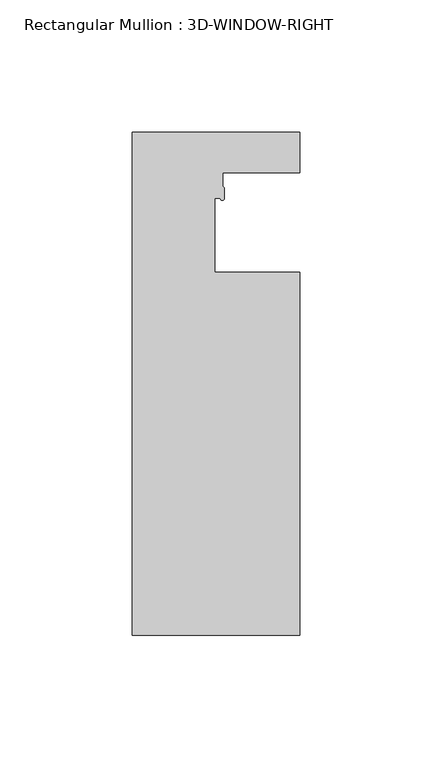
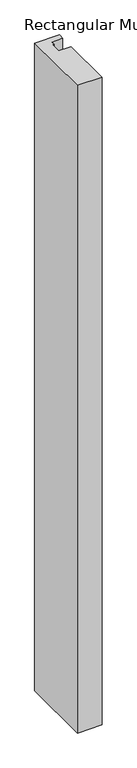
"""IFC4 building model written with IfcOpenShell, lengths in millimetres: member geometry, Rectangular Mullion : 3D-WINDOW-RIGHT."""

import ifcopenshell
import ifcopenshell.guid

model = None  # the IFC model being written
_history = None  # IfcOwnerHistory: only IFC2X3 demands one
_inside = {}  # id of a spatial element -> (the spatial element, [elements in it])
_under = {}  # id of a project, library or spatial element -> (it, [spatial elements below it])
_declared = {}  # id of a project -> (the project, [libraries it declares])
_typed = {}  # id of a type object -> (the type object, [elements of that type])
_made_of = {}  # id of a material, layer set ... -> (it, [elements and type objects made of it])


def new_model(schema):
    """Start an empty IFC model of exactly this schema.

    Asked for "IFC4X3", IfcOpenShell would pick the latest addendum, in which some entities
    have other attributes; the version numbers below select the first issue.
    IFC2X3 requires an IfcOwnerHistory on every rooted entity: one is made here for all.
    """
    global model, _history
    if schema == "IFC4X3":
        model = ifcopenshell.file(schema_version=(4, 3, 0, 0))
    else:
        model = ifcopenshell.file(schema=schema)
    _inside.clear()
    _under.clear()
    _declared.clear()
    _typed.clear()
    _made_of.clear()
    _history = None
    if model.schema == "IFC2X3":
        org = make("IfcOrganization", Name="unknown")
        user = make(
            "IfcPersonAndOrganization",
            ThePerson=make("IfcPerson", FamilyName="unknown"),
            TheOrganization=org,
        )
        app = make(
            "IfcApplication",
            ApplicationDeveloper=org,
            Version="unknown",
            ApplicationFullName="unknown",
            ApplicationIdentifier="unknown",
        )
        _history = make(
            "IfcOwnerHistory",
            OwningUser=user,
            OwningApplication=app,
            ChangeAction="ADDED",
            CreationDate=0,
        )
    return model


def make(cls, **values):
    """One entity of the class cls with the attributes given. An attribute that is None is left unset."""
    return model.create_entity(
        cls, **{name: value for name, value in values.items() if value is not None}
    )


def rooted(cls, **values):
    """An entity with a GlobalId (a new one), such as an element, a storey or a relation."""
    return make(cls, GlobalId=ifcopenshell.guid.new(), OwnerHistory=_history, **values)


def si_unit(unit_type, name, prefix=None):
    """IfcSIUnit, for example si_unit("LENGTHUNIT", "METRE", prefix="MILLI")."""
    return make("IfcSIUnit", UnitType=unit_type, Prefix=prefix, Name=name)


def assignment(units):
    """IfcUnitAssignment: the units of a project."""
    return None if units is None else make("IfcUnitAssignment", Units=units)


def point(xyz):
    """IfcCartesianPoint."""
    return None if xyz is None else make("IfcCartesianPoint", Coordinates=xyz)


def direction(xyz):
    """IfcDirection."""
    return None if xyz is None else make("IfcDirection", DirectionRatios=xyz)


def frame(location, z_axis=None, x_axis=None):
    """IfcAxis2Placement3D, a coordinate frame: its origin and axes. An axis left out is left unset."""
    return make(
        "IfcAxis2Placement3D",
        Location=point(location),
        Axis=direction(z_axis),
        RefDirection=direction(x_axis),
    )


def frame_2d(location, x_axis=None):
    """IfcAxis2Placement2D, a coordinate frame in the plane: its origin and x axis."""
    return make(
        "IfcAxis2Placement2D", Location=point(location), RefDirection=direction(x_axis)
    )


def origin():
    """The frame at (0, 0, 0) with its axes left unset."""
    return frame((0.0, 0.0, 0.0))


def place(relative_to, where):
    """IfcLocalPlacement: puts the frame where relative to a parent placement (None: the world)."""
    return make(
        "IfcLocalPlacement", PlacementRelTo=relative_to, RelativePlacement=where
    )


def context(
    kind, dimensions, precision=None, world=None, true_north=None, identifier=None
):
    """IfcGeometricRepresentationContext, for example the 3D "Model" context."""
    return make(
        "IfcGeometricRepresentationContext",
        ContextIdentifier=identifier,
        ContextType=kind,
        CoordinateSpaceDimension=dimensions,
        Precision=precision,
        WorldCoordinateSystem=world,
        TrueNorth=true_north,
    )


def project(units=None, contexts=None):
    """IfcProject with its units and contexts."""
    return rooted(
        "IfcProject",
        Name="project",
        RepresentationContexts=contexts,
        UnitsInContext=assignment(units),
    )


def spatial(cls, under=None, at=None, **own):
    """A site, building, storey or space (cls), placed at a placement, below another one or the project."""
    s = rooted(cls, ObjectPlacement=at, **own)
    if under is not None:
        _under.setdefault(under.id(), (under, []))[1].append(s)
    return s


def polyline(points):
    """IfcPolyline through the points."""
    return make("IfcPolyline", Points=[point(p) for p in points])


def circle_curve(where, radius):
    """IfcCircle in the frame where."""
    return make("IfcCircle", Position=where, Radius=radius)


def trimmed(basis, trim1, trim2, sense, master):
    """IfcTrimmedCurve: the piece of a basis curve between two trims."""
    return make(
        "IfcTrimmedCurve",
        BasisCurve=basis,
        Trim1=trim1,
        Trim2=trim2,
        SenseAgreement=sense,
        MasterRepresentation=master,
    )


def segment(curve, same_sense, transition):
    """IfcCompositeCurveSegment."""
    return make(
        "IfcCompositeCurveSegment",
        Transition=transition,
        SameSense=same_sense,
        ParentCurve=curve,
    )


def composite_curve(segments, self_intersect=None):
    """IfcCompositeCurve: segments joined end to end."""
    return make("IfcCompositeCurve", Segments=segments, SelfIntersect=self_intersect)


def outline(outer, holes=None, kind="AREA"):
    """IfcArbitraryClosedProfileDef: a profile drawn as a closed curve; with holes, ...WithVoids."""
    if holes is None:
        return make("IfcArbitraryClosedProfileDef", ProfileType=kind, OuterCurve=outer)
    return make(
        "IfcArbitraryProfileDefWithVoids",
        ProfileType=kind,
        OuterCurve=outer,
        InnerCurves=holes,
    )


def extrude(swept, where, along, depth):
    """IfcExtrudedAreaSolid: the profile swept, set in the frame where, extruded along a direction by depth."""
    return make(
        "IfcExtrudedAreaSolid",
        SweptArea=swept,
        Position=where,
        ExtrudedDirection=direction(along),
        Depth=depth,
    )


def shape(context_of_items, identifier, shape_type, items):
    """IfcShapeRepresentation: the items that make up one representation, for example the "Body"."""
    return make(
        "IfcShapeRepresentation",
        ContextOfItems=context_of_items,
        RepresentationIdentifier=identifier,
        RepresentationType=shape_type,
        Items=items,
    )


def source(mapping_origin, context_of_items, identifier, shape_type, items):
    """IfcRepresentationMap: a shape defined once, which mapped items show again and again."""
    return make(
        "IfcRepresentationMap",
        MappingOrigin=mapping_origin,
        MappedRepresentation=shape(context_of_items, identifier, shape_type, items),
    )


def transform(
    local_origin,
    x_axis=None,
    y_axis=None,
    z_axis=None,
    scale=None,
    scale2=None,
    scale3=None,
    uniform=True,
):
    """IfcCartesianTransformationOperator3D, or its non-uniform kind. x_axis, y_axis, z_axis: its Axis1, 2, 3."""
    if uniform:
        return make(
            "IfcCartesianTransformationOperator3D",
            Axis1=direction(x_axis),
            Axis2=direction(y_axis),
            LocalOrigin=point(local_origin),
            Scale=scale,
            Axis3=direction(z_axis),
        )
    return make(
        "IfcCartesianTransformationOperator3DnonUniform",
        Axis1=direction(x_axis),
        Axis2=direction(y_axis),
        LocalOrigin=point(local_origin),
        Scale=scale,
        Axis3=direction(z_axis),
        Scale2=scale2,
        Scale3=scale3,
    )


def mapped(mapping_source, mapping_target):
    """IfcMappedItem: shows the shape of a source again, moved by a transform."""
    return make(
        "IfcMappedItem", MappingSource=mapping_source, MappingTarget=mapping_target
    )


def made_of(thing, what):
    """Note that an element or type object is made of a material, layer set ...; save() writes the relation."""
    if what is not None:
        _made_of.setdefault(what.id(), (what, []))[1].append(thing)
    return thing


def element(
    cls,
    number,
    at=None,
    inside=None,
    cuts=None,
    type_object=None,
    material=None,
    context=None,
    identifier="Body",
    shape_type=None,
    held_by="IfcProductDefinitionShape",
    body=None,
    shapes=None,
    **own,
):
    """One element of the class cls, such as IfcWall. Its Tag is "e" and its number.

    at: its placement. inside: the storey or other place that contains it. cuts: it is an
    opening in that element (IfcRelVoidsElement). A single representation is given by context,
    identifier, shape_type and body (its items); several are given by shapes. held_by: the class
    of the entity that holds the representations. save() writes the other relations.
    """
    e = rooted(cls, Tag="e%d" % number, ObjectPlacement=at, **own)
    if body is not None:
        shapes = [shape(context, identifier, shape_type, body)]
    if shapes is not None:
        e.Representation = make(held_by, Representations=shapes)
    if inside is not None:
        _inside.setdefault(inside.id(), (inside, []))[1].append(e)
    if cuts is not None:
        rooted(
            "IfcRelVoidsElement", RelatingBuildingElement=cuts, RelatedOpeningElement=e
        )
    if type_object is not None:
        _typed.setdefault(type_object.id(), (type_object, []))[1].append(e)
    return made_of(e, material)


def aggregate(whole, parts):
    """IfcRelAggregates: a whole, such as a stair, and the parts it consists of."""
    return rooted("IfcRelAggregates", RelatingObject=whole, RelatedObjects=parts)


def save(model, path):
    """Write the relations noted so far, then the file.

    IfcRelAggregates (storeys below a building ...), IfcRelContainedInSpatialStructure (elements
    in a storey), IfcRelDefinesByType, IfcRelAssociatesMaterial and IfcRelDeclares: one each for
    every whole, place, type object, material and project.
    """
    for whole, parts in _under.values():
        aggregate(whole, parts)
    for where, things in _inside.values():
        rooted(
            "IfcRelContainedInSpatialStructure",
            RelatedElements=things,
            RelatingStructure=where,
        )
    for kind, things in _typed.values():
        rooted("IfcRelDefinesByType", RelatedObjects=things, RelatingType=kind)
    for what, things in _made_of.values():
        rooted("IfcRelAssociatesMaterial", RelatedObjects=things, RelatingMaterial=what)
    for by, libraries in _declared.values():
        rooted("IfcRelDeclares", RelatingContext=by, RelatedDefinitions=libraries)
    model.write(path)


def rectangular_mullion_3d_window_right_b0e20709(model_context):
    return source(origin(), model_context, "Body", "SweptSolid", [
        extrude(outline(composite_curve([segment(polyline([(-31.75, -93.2656225), (-31.75, 97.2343725), (31.75, 97.2343725), (31.75, 81.8673727), (2.5873461, 81.8673727), (2.5873461, 76.6268546)]), True, "CONTINUOUS"), segment(trimmed(circle_curve(frame_2d((2.3873541, 75.852289)), 0.7999679), [point((2.5873461, 76.6268546))], [point((3.187322, 75.852289))], False, "CARTESIAN"), True, "CONTINUOUS"), segment(polyline([(3.187322, 75.852289), (3.187322, 72.0770371)]), True, "CONTINUOUS"), segment(trimmed(circle_curve(frame_2d((2.4373521, 72.0770371)), 0.7499699), [point((3.187322, 72.0770371))], [point((1.6873822, 72.0770371))], False, "CARTESIAN"), True, "CONTINUOUS"), segment(polyline([(1.6873822, 72.0770371), (-0.5125296, 72.0770371), (-0.5125296, 44.1483725), (31.75, 44.1483725), (31.75, -93.2656225), (-31.75, -93.2656225)]), True, "CONTINUOUS")], self_intersect=False)), frame((0.0, 0.0, -1765.3), z_axis=(0.0, 0.0, 1.0), x_axis=(1.0, 0.0, 0.0)), (0.0, 0.0, 1.0), 1765.3),
    ])


if __name__ == "__main__":
    model = new_model("IFC4")
    model_context = context("Model", 3, world=origin())
    ifc_project = project(units=[si_unit("LENGTHUNIT", "METRE", prefix="MILLI")], contexts=[model_context])
    site = spatial("IfcSite", under=ifc_project)
    building = spatial("IfcBuilding", under=site)
    placement = place(None, origin())
    rectangular_mullion_3d_window_right_shape = rectangular_mullion_3d_window_right_b0e20709(model_context)
    element("IfcMember", 1, ObjectType="Rectangular Mullion : 3D-WINDOW-RIGHT", at=placement, inside=building, context=model_context, shape_type="MappedRepresentation", body=[
        mapped(rectangular_mullion_3d_window_right_shape, transform((0.0, 0.0, 0.0), x_axis=(1.0, 0.0, 0.0), y_axis=(0.0, 1.0, 0.0), z_axis=(0.0, 0.0, 1.0))),
    ])
    save(model, "model.ifc")
